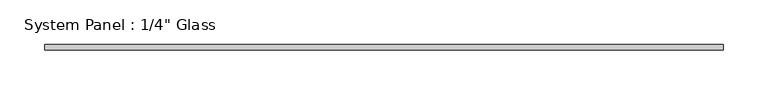
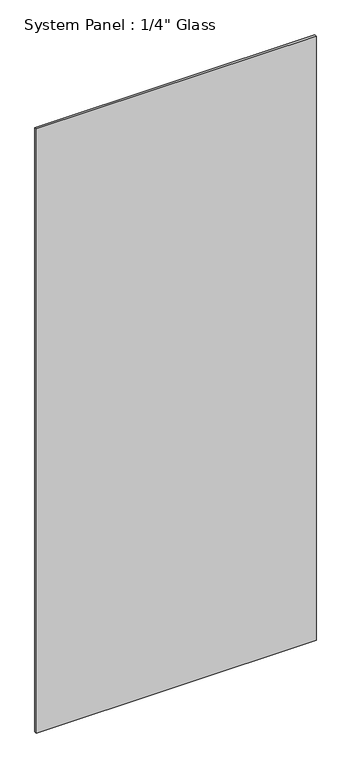
"""IFC4 building model written with IfcOpenShell, lengths in millimetres: plate geometry."""

from ifc_helpers import new_model, si_unit, origin, origin_with_axes, place, context, project, spatial, polyline, outline, extrude, source, transform, mapped, element, save


def plate_1ffaf709(model_context):
    return source(origin(), model_context, "Body", "SweptSolid", [
        extrude(outline(polyline([(381.0, -3.175), (-381.0, -3.175), (-381.0, 3.175), (381.0, 3.175), (381.0, -3.175)])), origin_with_axes(), (0.0, 0.0, 1.0), 1739.9),
    ])


if __name__ == "__main__":
    model = new_model("IFC4")
    model_context = context("Model", 3, world=origin())
    ifc_project = project(units=[si_unit("LENGTHUNIT", "METRE", prefix="MILLI")], contexts=[model_context])
    site = spatial("IfcSite", under=ifc_project)
    building = spatial("IfcBuilding", under=site)
    placement = place(None, origin())
    plate_shape = plate_1ffaf709(model_context)
    element("IfcPlate", 1, ObjectType="System Panel : 1/4\" Glass", at=placement, inside=building, context=model_context, shape_type="MappedRepresentation", body=[
        mapped(plate_shape, transform((0.0, 0.0, 0.0), x_axis=(1.0, 0.0, 0.0), y_axis=(0.0, 1.0, 0.0), z_axis=(0.0, 0.0, 1.0))),
    ])
    save(model, "model.ifc")
